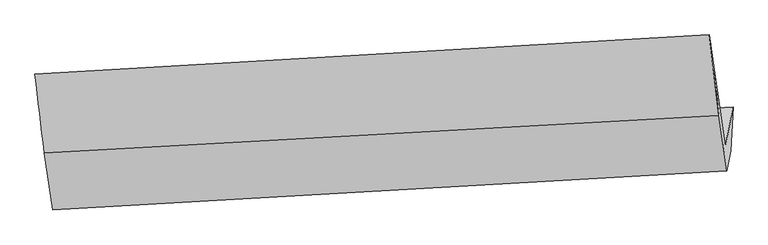
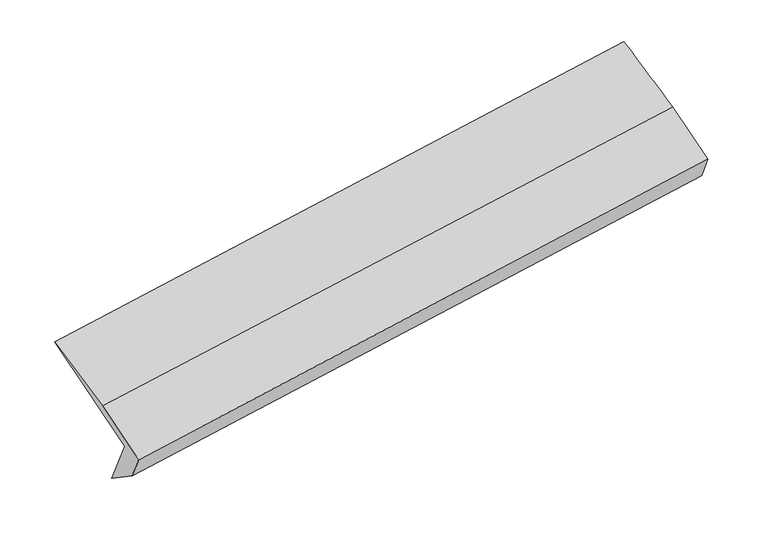
"""IFC4 building model written with IfcOpenShell, lengths in millimetres: proxy geometry."""

from ifc_helpers import new_model, si_unit, frame, origin, place, context, project, spatial, source, transform, mapped, element, save
from ifc_brep_helpers import plane_surface, spline_surface, advanced_brep


def generic_models_89295592(model_context):
    return source(origin(), model_context, "Body", "AdvancedBrep", [
        advanced_brep(
        [(-6272.5204924, -1568.2356514, 722.2119224), (-6353.2167425, -1970.1754854, 1396.4493233), (657.0637253, -1562.6728598, 2478.4048519), (737.7599754, -1160.7330258, 1804.167451), (-6294.9443349, -2026.5873814, 1035.7902207), (715.3361329, -1619.0847558, 2117.7457493), (-6336.0469954, -2231.3155633, 1379.2132548), (674.2334724, -1823.8129377, 2461.1687834), (-6421.782912, -1636.5540132, 1723.5130391), (590.9734819, -1246.227219, 2795.5257006), (-6519.6834704, -815.3734715, 2064.9493032), (490.5969974, -407.8708459, 3146.9048318)],
        [
            (0, 1),
            (1, 2),
            (2, 3),
            (3, 0),
            (4, 0),
            (3, 5),
            (5, 4),
            (6, 4),
            (5, 7),
            (7, 6),
            (8, 6),
            (7, 9),
            (9, 8),
            (10, 8),
            (9, 11),
            (11, 10),
            (1, 10),
            (11, 2),
        ],
        [
            plane_surface(frame((-6312.8686174, -1769.2055684, 1059.3306229), z_axis=(-0.12657421583339235, 0.858633522526752, 0.4967166615682061), x_axis=(-0.10226490493090813, -0.5093711152516357, 0.8544489195772778))),
            plane_surface(frame((-6283.7324136, -1797.4115164, 879.0010716), z_axis=(0.15793924237241366, -0.5628108864574458, -0.8113563346667186), x_axis=(0.04034471754610277, 0.8246611208598288, -0.5641864403797172))),
            plane_surface(frame((-6315.4956651, -2128.9514724, 1207.5017378), z_axis=(0.12657421583339193, -0.8586335225267527, -0.49671666156820526), x_axis=(0.10226490493091868, 0.5093711152516354, -0.8544489195772768))),
            plane_surface(frame((-6378.9149537, -1933.9347883, 1551.3631469), z_axis=(-0.10226490493091897, -0.5093711152516399, 0.854448919577274), x_axis=(0.12379630520309112, -0.8587915695142162, -0.4971433545260082))),
            spline_surface(1, 1, [[(-6519.6834704, -815.3734715, 2064.9493032), (490.5969974, -407.8708459, 3146.9048318)], [(-6421.782912, -1636.5540132, 1723.5130391), (590.9734819, -1246.227219, 2795.5257006)]], [2, 2], [2, 2], [0.0, 1.0], [0.0, 1.0]),
            plane_surface(frame((-6436.4501064, -1392.7744784, 1730.6993133), z_axis=(0.10226490493091996, 0.5093711152516317, -0.8544489195772789), x_axis=(-0.12379630520308908, 0.8587915695142212, 0.49714335452600017))),
            plane_surface(frame((644.3272976, -1303.400274, 2467.3195613), z_axis=(0.9870239936483477, 0.0549373013407998, 0.1508825002571761), x_axis=(0.12379630520309112, -0.8587915695142162, -0.4971433545260082))),
            plane_surface(frame((-6366.3658246, -1708.040261, 1387.0211773), z_axis=(-0.9870239936483522, -0.054937301340783624, -0.15088250025715255), x_axis=(0.102264904930907, 0.5093711152516309, -0.8544489195772806))),
        ],
        [
            (0, [[1, 2, 3, 4]]),
            (1, [[5, -4, 6, 7]]),
            (2, [[8, -7, 9, 10]]),
            (3, [[11, -10, 12, 13]]),
            (4, [[14, -13, 15, 16]]),
            (5, [[17, -16, 18, -2]]),
            (6, [[-12, -9, -6, -3, -18, -15]]),
            (7, [[-1, -5, -8, -11, -14, -17]]),
        ],
    ),
    ])


if __name__ == "__main__":
    model = new_model("IFC4")
    model_context = context("Model", 3, world=origin())
    ifc_project = project(units=[si_unit("LENGTHUNIT", "METRE", prefix="MILLI")], contexts=[model_context])
    site = spatial("IfcSite", under=ifc_project)
    building = spatial("IfcBuilding", under=site)
    placement = place(None, origin())
    generic_models_shape = generic_models_89295592(model_context)
    element("IfcBuildingElementProxy", 1, Name="Generic Models", at=placement, inside=building, context=model_context, shape_type="MappedRepresentation", body=[
        mapped(generic_models_shape, transform((0.0, 0.0, 0.0), x_axis=(1.0, 0.0, 0.0), y_axis=(0.0, 1.0, 0.0), z_axis=(0.0, 0.0, 1.0))),
    ])
    save(model, "model.ifc")
